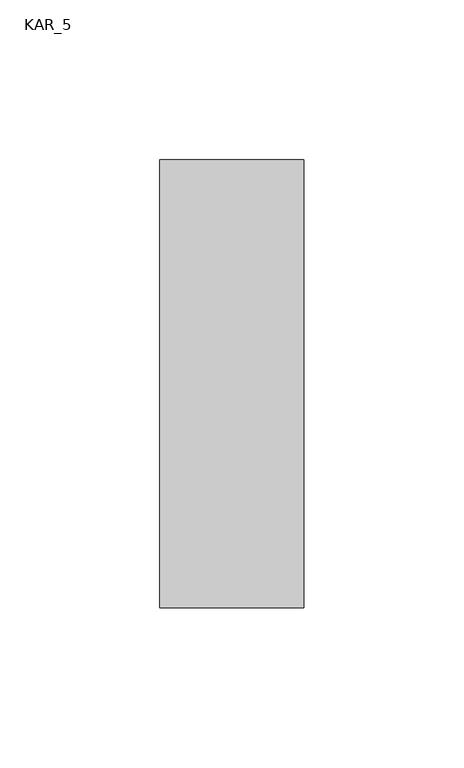
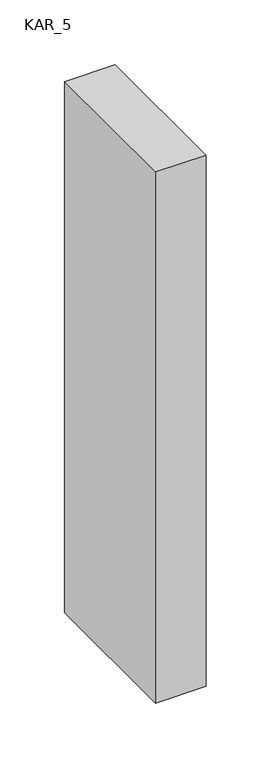
"""IFC4 building model written with IfcOpenShell, lengths in millimetres: proxy geometry, KAR_5."""

from ifc_helpers import new_model, si_unit, frame, origin, place, context, project, spatial, polyline, outline, extrude, source, transform, mapped, element, save


def kar_5_6ad8b141(model_context):
    return source(origin(), model_context, "Body", "SweptSolid", [
        extrude(outline(polyline([(45.0, 140.0), (45.0, 0.0), (0.0, 0.0), (0.0, 140.0), (45.0, 140.0)])), frame((0.0, 0.0, 1400.0), z_axis=(0.0, 0.0, 1.0), x_axis=(1.0, 0.0, 0.0)), (0.0, 0.0, 1.0), 500.0),
    ])


if __name__ == "__main__":
    model = new_model("IFC4")
    model_context = context("Model", 3, world=origin())
    ifc_project = project(units=[si_unit("LENGTHUNIT", "METRE", prefix="MILLI")], contexts=[model_context])
    site = spatial("IfcSite", under=ifc_project)
    building = spatial("IfcBuilding", under=site)
    placement = place(None, origin())
    kar_5_shape = kar_5_6ad8b141(model_context)
    element("IfcBuildingElementProxy", 1, Name="KAR_5", ObjectType="KAR_5", at=placement, inside=building, context=model_context, shape_type="MappedRepresentation", body=[
        mapped(kar_5_shape, transform((0.0, 0.0, 0.0), x_axis=(1.0, 0.0, 0.0), y_axis=(0.0, 1.0, 0.0), z_axis=(0.0, 0.0, 1.0))),
    ])
    save(model, "model.ifc")
